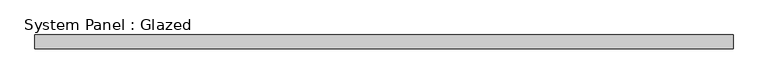
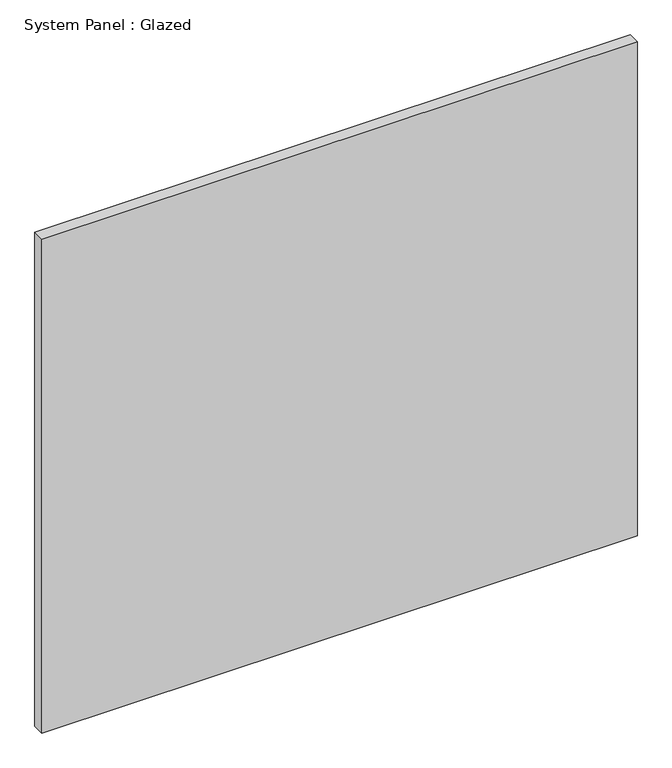
"""IFC4 building model written with IfcOpenShell, lengths in millimetres: plate geometry, System Panel : Glazed."""

from ifc_helpers import new_model, si_unit, origin, origin_with_axes, place, context, project, spatial, polyline, outline, extrude, source, transform, mapped, element, save


def system_panel_glazed_93687e15(model_context):
    return source(origin(), model_context, "Body", "SweptSolid", [
        extrude(outline(polyline([(641.0398862, 19.05), (-641.0398862, 19.05), (-641.0398862, 44.45), (641.0398862, 44.45), (641.0398862, 19.05)])), origin_with_axes(), (0.0, 0.0, 1.0), 1123.95),
    ])


if __name__ == "__main__":
    model = new_model("IFC4")
    model_context = context("Model", 3, world=origin())
    ifc_project = project(units=[si_unit("LENGTHUNIT", "METRE", prefix="MILLI")], contexts=[model_context])
    site = spatial("IfcSite", under=ifc_project)
    building = spatial("IfcBuilding", under=site)
    placement = place(None, origin())
    system_panel_glazed_shape = system_panel_glazed_93687e15(model_context)
    element("IfcPlate", 1, ObjectType="System Panel : Glazed", at=placement, inside=building, context=model_context, shape_type="MappedRepresentation", body=[
        mapped(system_panel_glazed_shape, transform((0.0, 0.0, 0.0), x_axis=(1.0, 0.0, 0.0), y_axis=(0.0, 1.0, 0.0), z_axis=(0.0, 0.0, 1.0))),
    ])
    save(model, "model.ifc")
